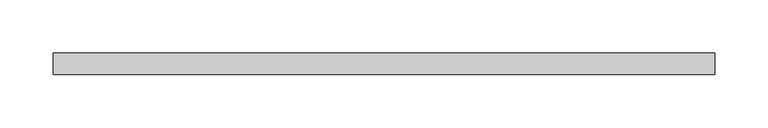
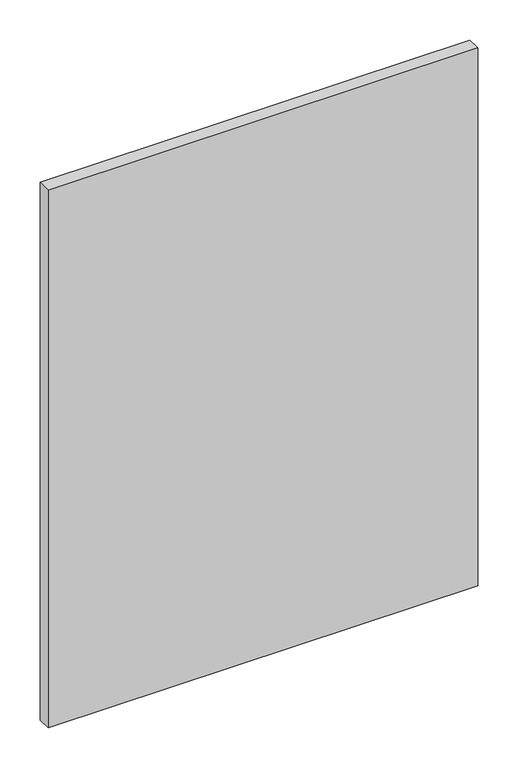
"""IFC4 building model written with IfcOpenShell, lengths in millimetres: plate geometry."""

from ifc_helpers import new_model, si_unit, origin, origin_with_axes, place, context, project, spatial, polyline, outline, extrude, source, transform, mapped, element, save


def plate_f5c0f19a(model_context):
    return source(origin(), model_context, "Body", "SweptSolid", [
        extrude(outline(polyline([(310.0, 20.0), (-310.0, 20.0), (-310.0, 40.0), (310.0, 40.0), (310.0, 20.0)])), origin_with_axes(), (0.0, 0.0, 1.0), 820.0),
    ])


if __name__ == "__main__":
    model = new_model("IFC4")
    model_context = context("Model", 3, world=origin())
    ifc_project = project(units=[si_unit("LENGTHUNIT", "METRE", prefix="MILLI")], contexts=[model_context])
    site = spatial("IfcSite", under=ifc_project)
    building = spatial("IfcBuilding", under=site)
    placement = place(None, origin())
    plate_shape = plate_f5c0f19a(model_context)
    element("IfcPlate", 1, at=placement, inside=building, context=model_context, shape_type="MappedRepresentation", body=[
        mapped(plate_shape, transform((0.0, 0.0, 0.0), x_axis=(1.0, 0.0, 0.0), y_axis=(0.0, 1.0, 0.0), z_axis=(0.0, 0.0, 1.0))),
    ])
    save(model, "model.ifc")
